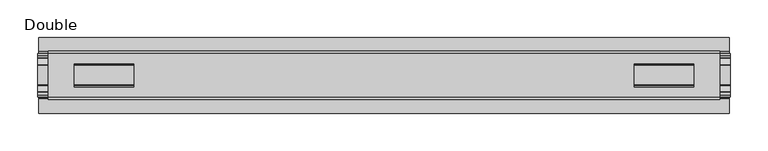
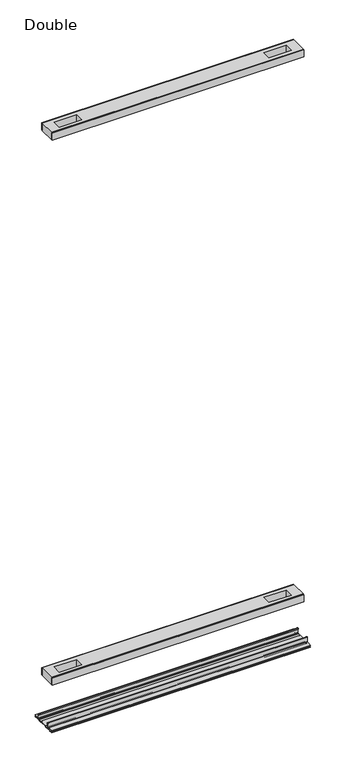
"""IFC4 building model written with IfcOpenShell, lengths in millimetres: proxy geometry, Double."""

from ifc_helpers import new_model, si_unit, point, frame, frame_2d, origin, place, context, project, spatial, polyline, circle_curve, trimmed, segment, composite_curve, outline, extrude, source, transform, mapped, element, save


def double_dc7deac3(model_context):
    return source(origin(), model_context, "Body", "SweptSolid", [
        extrude(outline(polyline([(445.1901765, -29.0068005), (445.1901765, -32.1817997), (-445.1901765, -32.1817997), (-445.1901765, -29.0068005), (445.1901765, -29.0068005)])), frame((0.0, 0.0, 2186.2851593), z_axis=(0.0, 0.0, 1.0), x_axis=(1.0, 0.0, 0.0)), (0.0, 0.0, 1.0), 25.3999939),
        extrude(outline(polyline([(445.1901765, 32.1817997), (445.1901765, 29.0068005), (-445.1901765, 29.0068005), (-445.1901765, 32.1817997), (445.1901765, 32.1817997)])), frame((0.0, 0.0, 2186.2851593), z_axis=(0.0, 0.0, 1.0), x_axis=(1.0, 0.0, 0.0)), (0.0, 0.0, 1.0), 25.3999939),
        extrude(outline(polyline([(445.1901765, 29.0068005), (445.1901765, -29.0068005), (-445.1901765, -29.0068005), (-445.1901765, 29.0068005), (445.1901765, 29.0068005)]), holes=[polyline([(410.7731639, 15.1130038), (331.7283521, 15.1130038), (331.7283521, -15.875003), (410.7731639, -15.875003), (410.7731639, 15.1130038)]), polyline([(-410.7731639, 15.1130038), (-410.7731639, -15.875003), (-331.7283521, -15.875003), (-331.7283521, 15.1130038), (-410.7731639, 15.1130038)])]), frame((0.0, 0.0, 2184.9851569), z_axis=(0.0, 0.0, 1.0), x_axis=(1.0, 0.0, 0.0)), (0.0, 0.0, 1.0), 27.9999988),
        extrude(outline(polyline([(445.1901765, -29.0068005), (445.1901765, -32.1817997), (-445.1901765, -32.1817997), (-445.1901765, -29.0068005), (445.1901765, -29.0068005)])), frame((0.0, 0.0, 149.8401622), z_axis=(0.0, 0.0, 1.0), x_axis=(1.0, 0.0, 0.0)), (0.0, 0.0, 1.0), 25.3999939),
        extrude(outline(polyline([(445.1901765, 32.1817997), (445.1901765, 29.0068005), (-445.1901765, 29.0068005), (-445.1901765, 32.1817997), (445.1901765, 32.1817997)])), frame((0.0, 0.0, 149.8401622), z_axis=(0.0, 0.0, 1.0), x_axis=(1.0, 0.0, 0.0)), (0.0, 0.0, 1.0), 25.3999939),
        extrude(outline(polyline([(445.1901765, 29.0068005), (445.1901765, -29.0068005), (-445.1901765, -29.0068005), (-445.1901765, 29.0068005), (445.1901765, 29.0068005)]), holes=[polyline([(410.7731639, 15.1130038), (331.7283521, 15.1130038), (331.7283521, -15.875003), (410.7731639, -15.875003), (410.7731639, 15.1130038)]), polyline([(-410.7731639, 15.1130038), (-410.7731639, -15.875003), (-331.7283521, -15.875003), (-331.7283521, 15.1130038), (-410.7731639, 15.1130038)])]), frame((0.0, 0.0, 148.4185847), z_axis=(0.0, 0.0, 1.0), x_axis=(1.0, 0.0, 0.0)), (0.0, 0.0, 1.0), 27.9999988),
        extrude(outline(composite_curve([segment(polyline([(-28.8162961, -7.7516037), (-28.8162961, 9.8607558)]), True, "CONTINUOUS"), segment(trimmed(circle_curve(frame_2d((-27.5970982, 9.8607558)), 1.2191979), [point((-28.8162961, 9.8607558))], [point((-26.3779003, 9.8607558))], False, "CARTESIAN"), True, "CONTINUOUS"), segment(polyline([(-26.3779003, 9.8607558), (-26.3779003, 5.9999563), (-27.6580769, 5.9999563), (-27.6580769, -7.7516037)]), True, "CONTINUOUS"), segment(trimmed(circle_curve(frame_2d((-26.6420561, -7.7516037)), 1.0160208), [point((-27.6580769, -7.7516037))], [point((-26.6485732, -8.7676036))], True, "CARTESIAN"), True, "CONTINUOUS"), segment(polyline([(-26.6485732, -8.7676036), (-22.7056226, -8.7676036), (-21.7922609, -8.968753)]), True, "CONTINUOUS"), segment(trimmed(circle_curve(frame_2d((-17.7673021, -6.1259382)), 4.9276657), [point((-21.7922609, -8.968753))], [point((-13.7423434, -8.968753))], True, "CARTESIAN"), True, "CONTINUOUS"), segment(polyline([(-13.7423434, -8.968753), (-12.8289726, -8.7676036), (13.2099722, -8.7676036), (14.123343, -8.968753)]), True, "CONTINUOUS"), segment(trimmed(circle_curve(frame_2d((18.1483018, -6.1259382)), 4.9276657), [point((14.123343, -8.968753))], [point((22.1732605, -8.968753))], True, "CARTESIAN"), True, "CONTINUOUS"), segment(polyline([(22.1732605, -8.968753), (23.0866222, -8.7676036), (27.0295728, -8.7676036)]), True, "CONTINUOUS"), segment(trimmed(circle_curve(frame_2d((27.0230557, -7.7516037)), 1.0160208), [point((27.0295728, -8.7676036))], [point((28.0390765, -7.7516037))], True, "CARTESIAN"), True, "CONTINUOUS"), segment(polyline([(28.0390765, -7.7516037), (28.0390765, 5.9999563), (26.7588999, 5.9999563), (26.7588999, 9.8607558)]), True, "CONTINUOUS"), segment(trimmed(circle_curve(frame_2d((27.9780978, 9.8607558)), 1.2191979), [point((26.7588999, 9.8607558))], [point((29.1972958, 9.8607558))], False, "CARTESIAN"), True, "CONTINUOUS"), segment(polyline([(29.1972958, 9.8607558), (29.1972958, -7.7516037)]), True, "CONTINUOUS"), segment(trimmed(circle_curve(frame_2d((27.0230557, -7.7516037)), 2.17424), [point((29.1972958, -7.7516037))], [point((27.0230557, -9.9258438))], False, "CARTESIAN"), True, "CONTINUOUS"), segment(polyline([(27.0230557, -9.9258438), (22.732069, -9.9258438)]), True, "CONTINUOUS"), segment(trimmed(circle_curve(frame_2d((18.1516545, -6.4800016)), 5.7318431), [point((22.732069, -9.9258438))], [point((13.57124, -9.9258438))], False, "CARTESIAN"), True, "CONTINUOUS"), segment(polyline([(13.57124, -9.9258438), (-13.1902404, -9.9258438)]), True, "CONTINUOUS"), segment(trimmed(circle_curve(frame_2d((-17.7706549, -6.4800016)), 5.7318431), [point((-13.1902404, -9.9258438))], [point((-22.3510694, -9.9258438))], False, "CARTESIAN"), True, "CONTINUOUS"), segment(polyline([(-22.3510694, -9.9258438), (-26.6420561, -9.9258438)]), True, "CONTINUOUS"), segment(trimmed(circle_curve(frame_2d((-26.6420561, -7.7516037)), 2.17424), [point((-26.6420561, -9.9258438))], [point((-28.8162961, -7.7516037))], False, "CARTESIAN"), True, "CONTINUOUS")], self_intersect=False)), frame((-459.2490674, 0.0, 0.0), z_axis=(1.0, 0.0, 0.0), x_axis=(0.0, 1.0, 0.0)), (0.0, 0.0, 1.0), 918.4981348),
        extrude(outline(composite_curve([segment(polyline([(-50.2668422, -13.9898438), (-50.2240211, -12.3388438), (-39.7827507, -12.3388438), (-39.7827507, -7.766844), (-50.2240211, -7.766844), (-50.2668422, -6.1158439), (-31.1784975, -6.1158439)]), True, "CONTINUOUS"), segment(trimmed(circle_curve(frame_2d((-31.1784975, -7.6398436)), 1.5239997), [point((-31.1784975, -6.1158439))], [point((-29.6544978, -7.6398436))], False, "CARTESIAN"), True, "CONTINUOUS"), segment(polyline([(-29.6544978, -7.6398436), (-29.6544978, -9.9258438), (-23.1058344, -9.9258438)]), True, "CONTINUOUS"), segment(trimmed(circle_curve(frame_2d((-17.7673021, -5.2268471)), 7.1119966), [point((-23.1058344, -9.9258438))], [point((-12.4287699, -9.9258438))], True, "CARTESIAN"), True, "CONTINUOUS"), segment(polyline([(-12.4287699, -9.9258438), (12.8097695, -9.9258438)]), True, "CONTINUOUS"), segment(trimmed(circle_curve(frame_2d((18.1483018, -5.2268471)), 7.1119966), [point((12.8097695, -9.9258438))], [point((23.486834, -9.9258438))], True, "CARTESIAN"), True, "CONTINUOUS"), segment(polyline([(23.486834, -9.9258438), (30.0354975, -9.9258438), (30.0354975, -7.7656583)]), True, "CONTINUOUS"), segment(trimmed(circle_curve(frame_2d((31.6864982, -7.7656583)), 1.6510007), [point((30.0354975, -7.7656583))], [point((31.6239218, -6.1158439))], False, "CARTESIAN"), True, "CONTINUOUS"), segment(polyline([(31.6239218, -6.1158439), (50.00625, -6.1158439), (50.00625, -7.766844), (40.1637503, -7.766844), (40.1637503, -12.3388438), (50.00625, -12.3388438), (50.00625, -13.9898438), (40.0367518, -13.9898438)]), True, "CONTINUOUS"), segment(trimmed(circle_curve(frame_2d((40.0367518, -12.4658438)), 1.524), [point((40.0367518, -13.9898438))], [point((38.5127519, -12.4658438))], False, "CARTESIAN"), True, "CONTINUOUS"), segment(polyline([(38.5127519, -12.4658438), (38.5127519, -7.766844), (31.686497, -7.766844), (31.686497, -10.0528438)]), True, "CONTINUOUS"), segment(trimmed(circle_curve(frame_2d((30.1624971, -10.0528438)), 1.524), [point((31.686497, -10.0528438))], [point((30.1624971, -11.5768438))], False, "CARTESIAN"), True, "CONTINUOUS"), segment(polyline([(30.1624971, -11.5768438), (23.6563549, -11.5768438)]), True, "CONTINUOUS"), segment(trimmed(circle_curve(frame_2d((18.1483018, -6.4968436)), 7.4930002), [point((23.6563549, -11.5768438))], [point((12.8904968, -11.8354331))], False, "CARTESIAN"), True, "CONTINUOUS"), segment(polyline([(12.8904968, -11.8354331), (-12.5094972, -11.8354331)]), True, "CONTINUOUS"), segment(trimmed(circle_curve(frame_2d((-17.7673021, -6.4968436)), 7.4930002), [point((-12.5094972, -11.8354331))], [point((-23.2753553, -11.5768438))], False, "CARTESIAN"), True, "CONTINUOUS"), segment(polyline([(-23.2753553, -11.5768438), (-29.7814974, -11.5768438)]), True, "CONTINUOUS"), segment(trimmed(circle_curve(frame_2d((-29.7814974, -10.0528438)), 1.524), [point((-29.7814974, -11.5768438))], [point((-31.3054974, -10.0528438))], False, "CARTESIAN"), True, "CONTINUOUS"), segment(polyline([(-31.3054974, -10.0528438), (-31.3054974, -7.766844), (-38.1317522, -7.766844), (-38.1317522, -12.4658438)]), True, "CONTINUOUS"), segment(trimmed(circle_curve(frame_2d((-39.6557522, -12.4658438)), 1.524), [point((-38.1317522, -12.4658438))], [point((-39.6557522, -13.9898438))], False, "CARTESIAN"), True, "CONTINUOUS"), segment(polyline([(-39.6557522, -13.9898438), (-50.2668422, -13.9898438)]), True, "CONTINUOUS")], self_intersect=False)), frame((-457.5980674, 0.0, 0.0), z_axis=(1.0, 0.0, 0.0), x_axis=(0.0, 1.0, 0.0)), (0.0, 0.0, 1.0), 915.1961348),
    ])


if __name__ == "__main__":
    model = new_model("IFC4")
    model_context = context("Model", 3, world=origin())
    ifc_project = project(units=[si_unit("LENGTHUNIT", "METRE", prefix="MILLI")], contexts=[model_context])
    site = spatial("IfcSite", under=ifc_project)
    building = spatial("IfcBuilding", under=site)
    placement = place(None, origin())
    double_shape = double_dc7deac3(model_context)
    element("IfcBuildingElementProxy", 1, Name="Double", ObjectType="Double", at=placement, inside=building, context=model_context, shape_type="MappedRepresentation", body=[
        mapped(double_shape, transform((0.0, 0.0, 0.0), x_axis=(1.0, 0.0, 0.0), y_axis=(0.0, 1.0, 0.0), z_axis=(0.0, 0.0, 1.0))),
    ])
    save(model, "model.ifc")
